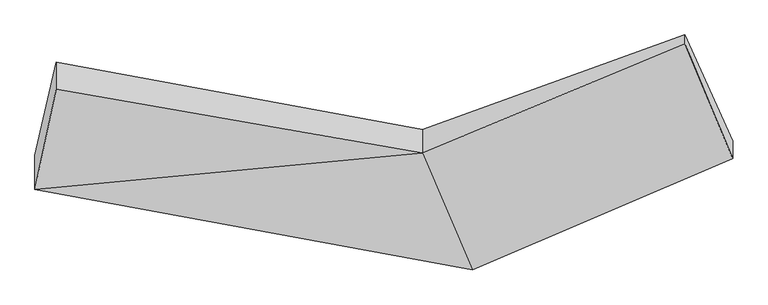
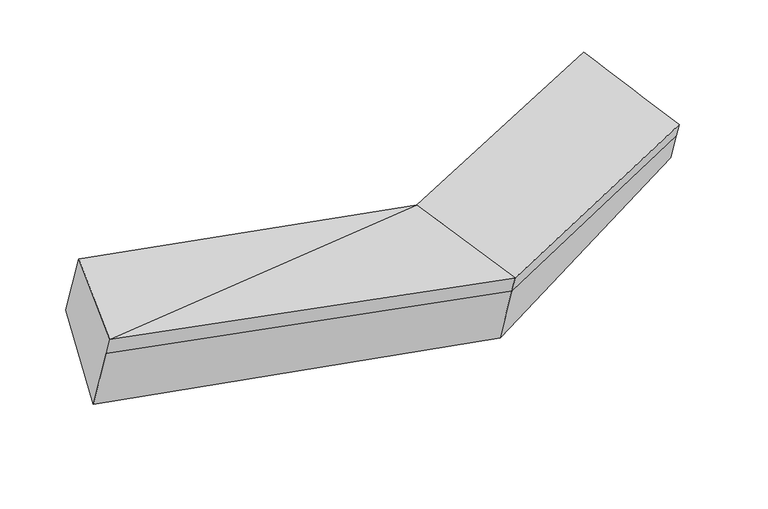
"""IFC4 building model written with IfcOpenShell, lengths in millimetres: proxy geometry."""

from ifc_helpers import new_model, si_unit, frame, origin, place, context, project, spatial, source, transform, mapped, element, save
from ifc_brep_helpers import plane_surface, spline_surface, advanced_brep


def generic_models_d42fe6c5(model_context):
    return source(origin(), model_context, "Body", "AdvancedBrep", [
        advanced_brep(
        [(-2379.3482443, -1891.9692924, 2091.6897127), (-2379.4482659, -1844.957916, 1949.7866972), (439.5917828, -2365.0992942, 1788.6177384), (439.6854562, -2409.1269747, 1921.51452), (-2242.7393501, -1242.9964, 2306.5931452), (118.385401, -1657.0624431, 2170.89418), (-2243.1045064, -1071.3683956, 1788.5370234), (118.0637885, -1505.9005823, 1714.6147536), (-2379.8140104, -1673.0534832, 1430.8961811), (439.2553015, -2206.9489138, 1311.2435884), (1807.0750806, -894.6582522, 2225.6532796), (1807.1935741, -950.3516804, 2393.7629161), (2115.0187701, -1692.1974489, 2147.7781515), (2114.9384786, -1654.459437, 2033.8666244), (2114.780122, -1580.0298701, 1809.2022818)],
        [
            (0, 1),
            (1, 2),
            (2, 3),
            (3, 0),
            (4, 0),
            (0, 5),
            (5, 4),
            (6, 4),
            (5, 7),
            (7, 6),
            (8, 6),
            (7, 9),
            (9, 8),
            (1, 8),
            (9, 2),
            (10, 11),
            (11, 12),
            (12, 13),
            (13, 14),
            (14, 10),
            (3, 5),
            (5, 11),
            (10, 7),
            (3, 12),
            (2, 13),
            (9, 14),
        ],
        [
            plane_surface(frame((-2379.3982551, -1868.4636042, 2020.7382049), z_axis=(-0.18962460877134457, -0.9320800346615168, -0.30865728038343815), x_axis=(-0.0006690961027963312, 0.3144834323080967, -0.9492627260743592))),
            plane_surface(frame((-2311.0437972, -1567.4828462, 2199.141429), z_axis=(-0.0005492537975472361, -0.31425233700461, 0.9493393318552683), x_axis=(-0.19595475071285648, -0.9309007442697281, -0.3082621287007675))),
            plane_surface(frame((-2242.9219282, -1157.1823978, 2047.5650843), z_axis=(0.1814801568334747, 0.9335382341030035, 0.3091461113188123), x_axis=(0.0006690961029642573, -0.31448343230803266, 0.9492627260743803))),
            spline_surface(1, 1, [[(-2379.8140104, -1673.0534832, 1430.8961811), (439.2553015, -2206.9489138, 1311.2435884)], [(-2243.1045064, -1071.3683956, 1788.5370234), (118.0637885, -1505.9005823, 1714.6147536)]], [2, 2], [2, 2], [0.0, 1.0], [0.0, 1.0]),
            plane_surface(frame((-2379.6311382, -1759.0056996, 1690.3414392), z_axis=(-0.18962460877143508, -0.9320800346615477, -0.30865728038328916), x_axis=(-0.0006690961030555307, 0.3144834323079981, -0.9492627260743918))),
            plane_surface(frame((1961.0168867, -1279.3093129, 2144.0991573), z_axis=(0.9304341305123707, 0.3480613954307399, 0.11465423580703481), x_axis=(0.000669096102993968, -0.3144834323080239, 0.9492627260743833))),
            plane_surface(frame((-2311.2515278, -1469.8468928, 1904.4290156), z_axis=(-0.9806127104945497, 0.1858062838599026, 0.062247384641493535), x_axis=(0.0006690961028327427, -0.3144834323087193, 0.9492627260741531))),
            plane_surface(frame((-2379.3482443, -1891.9692924, 2091.6897127), z_axis=(-0.0004788881904304737, -0.3149253342444296, 0.9491163282322855), x_axis=(0.3757895383014117, -0.879607639306242, -0.29167211690065964))),
            plane_surface(frame((118.2245947, -1581.4815127, 1942.7544668), z_axis=(-0.40176807348225957, 0.8691948485626108, 0.2882407506973543), x_axis=(0.000669096102993968, -0.3144834323080239, 0.9492627260743833))),
            spline_surface(1, 1, [[(118.385401, -1657.0624431, 2170.89418), (1807.1935741, -950.3516804, 2393.7629161)], [(439.6854562, -2409.1269747, 1921.51452), (2115.0187701, -1692.1974489, 2147.7781515)]], [2, 2], [2, 2], [0.0, 1.0], [0.0, 1.0]),
            plane_surface(frame((439.6386195, -2387.1131345, 1855.0661292), z_axis=(0.4093715283003629, -0.8659907336452867, -0.287184611456679), x_axis=(-0.0006690961030186991, 0.3144834323080173, -0.9492627260743854))),
            plane_surface(frame((439.4235421, -2286.024104, 1549.9306634), z_axis=(0.40937152830036305, -0.8659907336452888, -0.28718461145667196), x_axis=(-0.000669096102991293, 0.3144834323080213, -0.9492627260743841))),
            spline_surface(1, 1, [[(439.2553015, -2206.9489138, 1311.2435884), (2114.780122, -1580.0298701, 1809.2022818)], [(118.0637885, -1505.9005823, 1714.6147536), (1807.0750806, -894.6582522, 2225.6532796)]], [2, 2], [2, 2], [0.0, 1.0], [0.0, 1.0]),
        ],
        [
            (0, [[1, 2, 3, 4]]),
            (1, [[5, 6, 7]]),
            (2, [[8, -7, 9, 10]]),
            (3, [[11, -10, 12, 13]]),
            (4, [[14, -13, 15, -2]]),
            (5, [[16, 17, 18, 19, 20]]),
            (6, [[-1, -5, -8, -11, -14]]),
            (7, [[21, -6, -4]]),
            (8, [[-9, 22, -16, 23]]),
            (9, [[-21, 24, -17, -22]]),
            (10, [[-3, 25, -18, -24]]),
            (11, [[-15, 26, -19, -25]]),
            (12, [[-12, -23, -20, -26]]),
        ],
    ),
    ])


if __name__ == "__main__":
    model = new_model("IFC4")
    model_context = context("Model", 3, world=origin())
    ifc_project = project(units=[si_unit("LENGTHUNIT", "METRE", prefix="MILLI")], contexts=[model_context])
    site = spatial("IfcSite", under=ifc_project)
    building = spatial("IfcBuilding", under=site)
    placement = place(None, origin())
    generic_models_shape = generic_models_d42fe6c5(model_context)
    element("IfcBuildingElementProxy", 1, Name="Generic Models", at=placement, inside=building, context=model_context, shape_type="MappedRepresentation", body=[
        mapped(generic_models_shape, transform((0.0, 0.0, 0.0), x_axis=(1.0, 0.0, 0.0), y_axis=(0.0, 1.0, 0.0), z_axis=(0.0, 0.0, 1.0))),
    ])
    save(model, "model.ifc")
